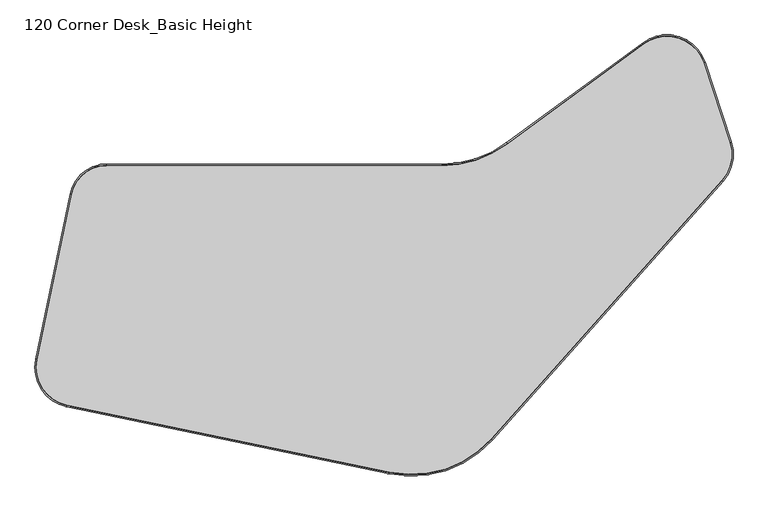
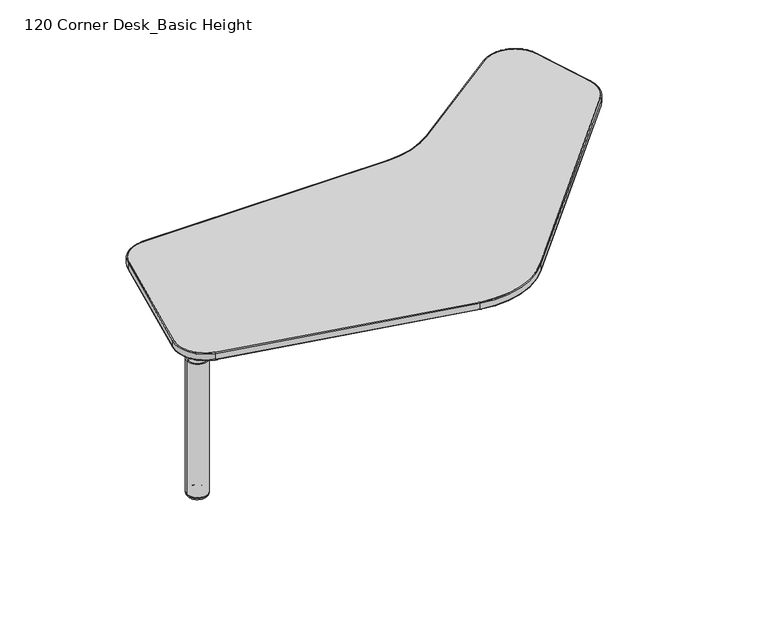
"""IFC4 building model written with IfcOpenShell, lengths in millimetres: furniture geometry, 120 Corner Desk_Basic Height."""

from ifc_helpers import new_model, si_unit, point, frame, frame_2d, origin, place, context, project, spatial, polyline, circle_curve, ellipse_curve, trimmed, segment, composite_curve, outline, extrude, source, transform, mapped, element, save
from ifc_brep_helpers import plane_surface, cylinder_surface, revolved_surface, advanced_brep


def furniture_120_corner_desk_basic_height_a4bebe50(model_context):
    return source(origin(), model_context, "Body", "SolidModel", [
        advanced_brep(
        [(218.1847437, -295.4283696, 672.2060139), (190.1170175, -297.6503048, 672.2060139), (162.0492913, -299.8722401, 672.2060139), (218.1847437, -295.4283696, 647.7686974), (162.0492913, -299.8722401, 647.7686974), (221.2754664, -295.1836976, 647.7686974), (158.9585686, -300.1169121, 647.7686974), (221.2754664, -295.1836976, 485.9002831), (158.9585686, -300.1169121, 485.9002831), (225.3000442, -294.8650985, 485.9002831), (154.9339908, -300.4355111, 485.9002831), (225.3000442, -294.8650985, 10.2163535), (154.9339908, -300.4355111, 10.2163535), (224.0360678, -294.9651591, 9.4693355), (156.1979672, -300.3354505, 9.4693355), (224.8786925, -294.8984541, 8.8323857), (155.3553425, -300.4021555, 8.8323857), (216.7436839, -295.5424487, 0.0), (163.4903512, -299.758161, 0.0), (190.1170175, -297.6503048, 0.0)],
        [
            (0, 1),
            (1, 2),
            (2, 0, circle_curve(frame((190.1170175, -297.6503048, 672.2060139), z_axis=(0.0, 0.0, 1.0), x_axis=(-0.9968812328975419, -0.07891645897198368, 0.0)), 28.1555368)),
            (0, 2, circle_curve(frame((190.1170175, -297.6503048, 672.2060139), z_axis=(0.0, 0.0, 1.0), x_axis=(-0.9968812328975419, -0.07891645897198368, 0.0)), 28.1555368)),
            (3, 0),
            (2, 4),
            (4, 3, circle_curve(frame((190.1170175, -297.6503048, 647.7686974), z_axis=(0.0, 0.0, 1.0), x_axis=(-0.9968812328975419, -0.07891645897198368, 0.0)), 28.1555368)),
            (3, 4, circle_curve(frame((190.1170175, -297.6503048, 647.7686974), z_axis=(0.0, 0.0, 1.0), x_axis=(-0.9968812328975419, -0.07891645897198368, 0.0)), 28.1555368)),
            (5, 3),
            (4, 6),
            (6, 5, circle_curve(frame((190.1170175, -297.6503048, 647.7686974), z_axis=(0.0, 0.0, 1.0), x_axis=(-0.9968812328975419, -0.07891645897198368, 0.0)), 31.2559289)),
            (5, 6, circle_curve(frame((190.1170175, -297.6503048, 647.7686974), z_axis=(0.0, 0.0, 1.0), x_axis=(-0.9968812328975419, -0.07891645897198368, 0.0)), 31.2559289)),
            (7, 5),
            (6, 8),
            (8, 7, circle_curve(frame((190.1170175, -297.6503048, 485.9002831), z_axis=(0.0, 0.0, 1.0), x_axis=(-0.9968812328975419, -0.07891645897198368, 0.0)), 31.2559289)),
            (7, 8, circle_curve(frame((190.1170175, -297.6503048, 485.9002831), z_axis=(0.0, 0.0, 1.0), x_axis=(-0.9968812328975419, -0.07891645897198368, 0.0)), 31.2559289)),
            (9, 7),
            (8, 10),
            (10, 9, circle_curve(frame((190.1170175, -297.6503048, 485.9002831), z_axis=(0.0, 0.0, 1.0), x_axis=(-0.9968812328975419, -0.07891645897198368, 0.0)), 35.2930977)),
            (9, 10, circle_curve(frame((190.1170175, -297.6503048, 485.9002831), z_axis=(0.0, 0.0, 1.0), x_axis=(-0.9968812328975419, -0.07891645897198368, 0.0)), 35.2930977)),
            (11, 9),
            (10, 12),
            (12, 11, circle_curve(frame((190.1170175, -297.6503048, 10.2163535), z_axis=(0.0, 0.0, 1.0), x_axis=(-0.9968812328975419, -0.07891645897198368, 0.0)), 35.2930977)),
            (11, 12, circle_curve(frame((190.1170175, -297.6503048, 10.2163535), z_axis=(0.0, 0.0, 1.0), x_axis=(-0.9968812328975419, -0.07891645897198368, 0.0)), 35.2930977)),
            (13, 11, circle_curve(frame((223.8482988, -294.9800236, 11.2385904), z_axis=(0.07891645897198046, -0.9968812328975422, 0.0), x_axis=(-0.9968812328975422, -0.07891645897198046, 0.0)), 1.7792529)),
            (12, 14, circle_curve(frame((156.3857362, -300.3205861, 11.2385904), z_axis=(0.07891645897198368, -0.9968812328975419, 0.0), x_axis=(0.9968812328975419, 0.07891645897198368, 0.0)), 1.7792529)),
            (14, 13, circle_curve(frame((190.1170175, -297.6503048, 9.4693355), z_axis=(0.0, 0.0, 1.0), x_axis=(-0.9968812328975419, -0.07891645897198368, 0.0)), 34.0251669)),
            (13, 14, circle_curve(frame((190.1170175, -297.6503048, 9.4693355), z_axis=(0.0, 0.0, 1.0), x_axis=(-0.9968812328975419, -0.07891645897198368, 0.0)), 34.0251669)),
            (15, 13, circle_curve(frame((223.3425297, -295.0200619, 7.6667755), z_axis=(0.07891645897198046, -0.9968812328975422, 0.0), x_axis=(-0.9968812328975422, -0.07891645897198046, 0.0)), 1.9321573)),
            (14, 16, circle_curve(frame((156.8915053, -300.2805477, 7.6667755), z_axis=(0.07891645897198368, -0.9968812328975419, 0.0), x_axis=(0.9968812328975419, 0.07891645897198368, 0.0)), 1.9321573)),
            (16, 15, circle_curve(frame((190.1170175, -297.6503048, 8.8323857), z_axis=(0.0, 0.0, 1.0), x_axis=(-0.9968812328975419, -0.07891645897198368, 0.0)), 34.8704278)),
            (15, 16, circle_curve(frame((190.1170175, -297.6503048, 8.8323857), z_axis=(0.0, 0.0, 1.0), x_axis=(-0.9968812328975419, -0.07891645897198368, 0.0)), 34.8704278)),
            (17, 15, circle_curve(frame((216.7436839, -295.5424487, 8.1860178), z_axis=(0.07891645897198046, -0.9968812328975422, 0.0), x_axis=(-0.9968812328975422, -0.07891645897198046, 0.0)), 8.1860178)),
            (16, 18, circle_curve(frame((163.4903512, -299.758161, 8.1860178), z_axis=(0.07891645897198368, -0.9968812328975419, 0.0), x_axis=(0.9968812328975419, 0.07891645897198368, 0.0)), 8.1860178)),
            (18, 17, circle_curve(frame((190.1170175, -297.6503048, 0.0), z_axis=(0.0, 0.0, 1.0), x_axis=(-0.9968812328975419, -0.07891645897198368, 0.0)), 26.7099685)),
            (17, 18, circle_curve(frame((190.1170175, -297.6503048, 0.0), z_axis=(0.0, 0.0, 1.0), x_axis=(-0.9968812328975419, -0.07891645897198368, 0.0)), 26.7099685)),
            (19, 17),
            (18, 19),
        ],
        [
            plane_surface(frame((190.1170175, -297.6503048, 672.2060139), z_axis=(0.0, 0.0, 1.0), x_axis=(-0.9968812328975419, -0.07891645897198368, 0.0))),
            cylinder_surface(frame((190.1170175, -297.6503048, -31.75), z_axis=(0.0, 0.0, -1.0), x_axis=(-0.9968812328975419, -0.07891645897198368, 0.0)), 28.1555368),
            plane_surface(frame((190.1170175, -297.6503048, 647.7686974), z_axis=(0.0, 0.0, 1.0), x_axis=(-0.9968812328975419, -0.07891645897198368, 0.0))),
            cylinder_surface(frame((190.1170175, -297.6503048, -31.75), z_axis=(0.0, 0.0, -1.0), x_axis=(-0.9968812328975419, -0.07891645897198368, 0.0)), 31.2559289),
            plane_surface(frame((190.1170175, -297.6503048, 485.9002831), z_axis=(0.0, 0.0, 1.0), x_axis=(-0.9968812328975419, -0.07891645897198368, 0.0))),
            cylinder_surface(frame((190.1170175, -297.6503048, -31.75), z_axis=(0.0, 0.0, -1.0), x_axis=(-0.9968812328975419, -0.07891645897198368, 0.0)), 35.2930977),
            revolved_surface(trimmed(ellipse_curve(frame((156.3857362, -300.3205861, 11.2385904), z_axis=(0.07891645897198368, -0.9968812328975419, 0.0), x_axis=(0.9968812328975419, 0.07891645897198368, 0.0)), 1.7792529, 1.7792529), [point((154.9339908, -300.4355111, 10.2163535))], [point((156.1979672, -300.3354505, 9.4693355))], True, "CARTESIAN"), (190.1170175, -297.6503048, -31.75), (0.0, 0.0, -1.0)),
            revolved_surface(trimmed(ellipse_curve(frame((156.8915053, -300.2805477, 7.6667755), z_axis=(0.07891645897198368, -0.9968812328975419, 0.0), x_axis=(0.9968812328975419, 0.07891645897198368, 0.0)), 1.9321573, 1.9321573), [point((156.1979672, -300.3354505, 9.4693355))], [point((155.3553425, -300.4021555, 8.8323857))], True, "CARTESIAN"), (190.1170175, -297.6503048, -31.75), (0.0, 0.0, -1.0)),
            revolved_surface(trimmed(ellipse_curve(frame((163.4903512, -299.758161, 8.1860178), z_axis=(0.07891645897198368, -0.9968812328975419, 0.0), x_axis=(0.9968812328975419, 0.07891645897198368, 0.0)), 8.1860178, 8.1860178), [point((155.3553425, -300.4021555, 8.8323857))], [point((163.4903512, -299.758161, 0.0))], True, "CARTESIAN"), (190.1170175, -297.6503048, -31.75), (0.0, 0.0, -1.0)),
            plane_surface(frame((190.1170175, -297.6503048, 0.0), z_axis=(0.0, 0.0, -1.0), x_axis=(-0.9968812328975419, -0.07891645897198368, 0.0))),
        ],
        [
            (0, [[1, 2, 3]]),
            (0, [[-2, -1, 4]]),
            (1, [[5, -3, 6, 7]]),
            (1, [[-6, -4, -5, 8]]),
            (2, [[9, -7, 10, 11]]),
            (2, [[-10, -8, -9, 12]]),
            (3, [[13, -11, 14, 15]]),
            (3, [[-14, -12, -13, 16]]),
            (4, [[17, -15, 18, 19]]),
            (4, [[-18, -16, -17, 20]]),
            (5, [[21, -19, 22, 23]]),
            (5, [[-22, -20, -21, 24]]),
            (6, [[25, -23, 26, 27]]),
            (6, [[-26, -24, -25, 28]]),
            (7, [[29, -27, 30, 31]]),
            (7, [[-30, -28, -29, 32]]),
            (8, [[33, -31, 34, 35]]),
            (8, [[-34, -32, -33, 36]]),
            (9, [[37, -35, 38]]),
            (9, [[-38, -36, -37]]),
        ],
    ),
        advanced_brep(
        [(176.4500095, -3.81, 698.6714043), (1003.2845277, -3.81, 698.6714043), (1003.2845277, -3.81, 723.9), (176.4500095, -3.81, 723.9), (176.4500095, 0.0, 701.2114043), (1003.2845277, 0.0, 701.2114043), (1003.2845277, -2.54, 698.6714043), (176.4500095, -2.54, 698.6714043), (176.4500095, 0.0, 721.36), (1003.2845277, 0.0, 721.36), (176.4500095, -2.54, 723.9), (1003.2845277, -2.54, 723.9), (1164.859092, 49.1264778, 698.6714043), (1164.859092, 49.1264778, 723.9), (1162.6045632, 52.1978292, 701.2114043), (1164.1075824, 50.1502616, 698.6714043), (1162.6045632, 52.1978292, 721.36), (1164.1075824, 50.1502616, 723.9), (1502.3008534, 296.8259604, 698.6714043), (1502.3008534, 296.8259604, 723.9), (1500.0463246, 299.8973118, 701.2114043), (1501.5493438, 297.8497442, 698.6714043), (1500.0463246, 299.8973118, 721.36), (1501.5493438, 297.8497442, 723.9), (1649.1152371, 249.8943009, 698.6714043), (1649.1152371, 249.8943009, 723.9), (1652.7332836, 251.088386, 701.2114043), (1650.3212526, 250.2923292, 698.6714043), (1652.7332836, 251.088386, 721.36), (1650.3212526, 250.2923292, 723.9), (1713.8957486, 53.6110488, 698.6714043), (1713.8957486, 53.6110488, 723.9), (1717.5137951, 54.8051339, 701.2114043), (1715.1017641, 54.0090771, 698.6714043), (1717.5137951, 54.8051339, 721.36), (1715.1017641, 54.0090771, 723.9), (1694.5230089, -39.6478618, 698.6714043), (1694.5230089, -39.6478618, 723.9), (1697.3661459, -42.1841331, 701.2114043), (1695.4707212, -40.4932855, 698.6714043), (1697.3661459, -42.1841331, 721.36), (1695.4707212, -40.4932855, 723.9), (1125.4297504, -677.5961986, 698.6714043), (1125.4297504, -677.5961986, 723.9), (1128.2728874, -680.1324699, 701.2114043), (1126.3774627, -678.4416224, 698.6714043), (1128.2728874, -680.1324699, 721.36), (1126.3774627, -678.4416224, 723.9), (874.5786416, -760.3866443, 698.6714043), (874.5786416, -760.3866443, 723.9), (873.8037337, -764.1170086, 701.2114043), (874.320339, -761.6300991, 698.6714043), (873.8037337, -764.1170086, 721.36), (874.320339, -761.6300991, 723.9), (78.5531605, -595.0284191, 698.6714043), (78.5531605, -595.0284191, 723.9), (77.7782526, -598.7587834, 701.2114043), (78.2948579, -596.2718739, 698.6714043), (77.7782526, -598.7587834, 721.36), (78.2948579, -596.2718739, 723.9), (4.6683853, -482.3887447, 698.6714043), (4.6683853, -482.3887447, 723.9), (0.9380865, -481.613522, 701.2114043), (3.4249524, -482.1303371, 698.6714043), (0.9380865, -481.613522, 721.36), (3.4249524, -482.1303371, 723.9), (89.4097021, -74.6214708, 698.6714043), (89.4097021, -74.6214708, 723.9), (85.6794032, -73.8462481, 701.2114043), (88.1662691, -74.3630632, 698.6714043), (85.6794032, -73.8462481, 721.36), (88.1662691, -74.3630632, 723.9)],
        [
            (0, 1),
            (1, 2),
            (2, 3),
            (3, 0),
            (4, 5),
            (5, 6, circle_curve(frame((1003.2845277, -2.54, 701.2114043), z_axis=(-1.0, 0.0, 0.0), x_axis=(0.0, -1.0, 0.0)), 2.54)),
            (6, 7),
            (7, 4, circle_curve(frame((176.4500095, -2.54, 701.2114043), z_axis=(1.0, 0.0, 0.0), x_axis=(0.0, -1.0, 0.0)), 2.54)),
            (8, 9),
            (9, 5),
            (4, 8),
            (10, 11),
            (11, 9, circle_curve(frame((1003.2845277, -2.54, 721.36), z_axis=(-1.0, 0.0, 0.0), x_axis=(0.0, -1.0, 0.0)), 2.54)),
            (8, 10, circle_curve(frame((176.4500095, -2.54, 721.36), z_axis=(1.0, 0.0, 0.0), x_axis=(0.0, -1.0, 0.0)), 2.54)),
            (12, 13),
            (13, 2, circle_curve(frame((1003.2845277, 269.24, 723.9), z_axis=(0.0, 0.0, -1.0), x_axis=(0.0, -1.0, 0.0)), 273.05)),
            (1, 12, circle_curve(frame((1003.2845277, 269.24, 698.6714043), z_axis=(0.0, 0.0, 1.0), x_axis=(0.0, -1.0, 0.0)), 273.05)),
            (14, 15, circle_curve(frame((1164.1075824, 50.1502616, 701.2114043), z_axis=(-0.8061289955728147, -0.5917398435940957, 0.0), x_axis=(0.5917398435940957, -0.8061289955728147, 0.0)), 2.54)),
            (15, 6, circle_curve(frame((1003.2845277, 269.24, 698.6714043), z_axis=(0.0, 0.0, -1.0), x_axis=(0.0, -1.0, 0.0)), 271.78)),
            (5, 14, circle_curve(frame((1003.2845277, 269.24, 701.2114043), z_axis=(0.0, 0.0, 1.0), x_axis=(0.0, -1.0, 0.0)), 269.24)),
            (16, 14),
            (9, 16, circle_curve(frame((1003.2845277, 269.24, 721.36), z_axis=(0.0, 0.0, 1.0), x_axis=(0.0, -1.0, 0.0)), 269.24)),
            (17, 16, circle_curve(frame((1164.1075824, 50.1502616, 721.36), z_axis=(-0.8061289955728145, -0.5917398435940961, 0.0), x_axis=(0.5917398435940961, -0.8061289955728145, 0.0)), 2.54)),
            (11, 17, circle_curve(frame((1003.2845277, 269.24, 723.9), z_axis=(0.0, 0.0, 1.0), x_axis=(0.0, -1.0, 0.0)), 271.78)),
            (12, 18),
            (18, 19),
            (19, 13),
            (14, 20),
            (20, 21, circle_curve(frame((1501.5493438, 297.8497442, 701.2114043), z_axis=(-0.8061289955728148, -0.5917398435940956, 0.0), x_axis=(0.5917398435940956, -0.8061289955728148, 0.0)), 2.54)),
            (21, 15),
            (16, 22),
            (22, 20),
            (17, 23),
            (23, 22, circle_curve(frame((1501.5493438, 297.8497442, 721.36), z_axis=(-0.8061289955728148, -0.5917398435940956, 0.0), x_axis=(0.5917398435940956, -0.8061289955728148, 0.0)), 2.54)),
            (24, 25),
            (25, 19, circle_curve(frame((1558.6640735, 220.0421735, 723.9), z_axis=(0.0, 0.0, 1.0), x_axis=(-0.5917398435940961, 0.8061289955728144, 0.0)), 95.25)),
            (18, 24, circle_curve(frame((1558.6640735, 220.0421735, 698.6714043), z_axis=(0.0, 0.0, -1.0), x_axis=(-0.5917398435940961, 0.8061289955728144, 0.0)), 95.25)),
            (26, 27, circle_curve(frame((1650.3212526, 250.2923292, 701.2114043), z_axis=(-0.31340816117297965, 0.9496185152523995, 0.0), x_axis=(-0.9496185152523995, -0.31340816117297965, 0.0)), 2.54)),
            (27, 21, circle_curve(frame((1558.6640735, 220.0421735, 698.6714043), z_axis=(0.0, 0.0, 1.0), x_axis=(-0.5917398435940961, 0.8061289955728144, 0.0)), 96.52)),
            (20, 26, circle_curve(frame((1558.6640735, 220.0421735, 701.2114043), z_axis=(0.0, 0.0, -1.0), x_axis=(-0.5917398435940961, 0.8061289955728144, 0.0)), 99.06)),
            (28, 26),
            (22, 28, circle_curve(frame((1558.6640735, 220.0421735, 721.36), z_axis=(0.0, 0.0, -1.0), x_axis=(-0.5917398435940961, 0.8061289955728144, 0.0)), 99.06)),
            (29, 28, circle_curve(frame((1650.3212526, 250.2923292, 721.36), z_axis=(-0.3134081611729803, 0.9496185152523993, 0.0), x_axis=(-0.9496185152523993, -0.3134081611729803, 0.0)), 2.54)),
            (23, 29, circle_curve(frame((1558.6640735, 220.0421735, 723.9), z_axis=(0.0, 0.0, -1.0), x_axis=(-0.5917398435940961, 0.8061289955728144, 0.0)), 96.52)),
            (24, 30),
            (30, 31),
            (31, 25),
            (26, 32),
            (32, 33, circle_curve(frame((1715.1017641, 54.0090771, 701.2114043), z_axis=(-0.3134081611729781, 0.9496185152524002, 0.0), x_axis=(-0.9496185152523999, -0.31340816117297804, 0.0)), 2.54)),
            (33, 27),
            (28, 34),
            (34, 32),
            (29, 35),
            (35, 34, circle_curve(frame((1715.1017641, 54.0090771, 721.36), z_axis=(-0.3134081611729781, 0.9496185152524002, 0.0), x_axis=(-0.9496185152523999, -0.31340816117297804, 0.0)), 2.54)),
            (36, 37),
            (37, 31, circle_curve(frame((1623.444585, 23.7589214, 723.9), z_axis=(0.0, 0.0, 1.0), x_axis=(0.9496185152523999, 0.31340816117297826, 0.0)), 95.25)),
            (30, 36, circle_curve(frame((1623.444585, 23.7589214, 698.6714043), z_axis=(0.0, 0.0, -1.0), x_axis=(0.9496185152523999, 0.31340816117297826, 0.0)), 95.25)),
            (38, 39, circle_curve(frame((1695.4707212, -40.4932855, 701.2114043), z_axis=(0.6656880124197591, 0.7462301723467304, 0.0), x_axis=(-0.7462301723467304, 0.6656880124197591, 0.0)), 2.54)),
            (39, 33, circle_curve(frame((1623.444585, 23.7589214, 698.6714043), z_axis=(0.0, 0.0, 1.0), x_axis=(0.9496185152523999, 0.31340816117297826, 0.0)), 96.52)),
            (32, 38, circle_curve(frame((1623.444585, 23.7589214, 701.2114043), z_axis=(0.0, 0.0, -1.0), x_axis=(0.9496185152523999, 0.31340816117297826, 0.0)), 99.06)),
            (40, 38),
            (34, 40, circle_curve(frame((1623.444585, 23.7589214, 721.36), z_axis=(0.0, 0.0, -1.0), x_axis=(0.9496185152523999, 0.31340816117297826, 0.0)), 99.06)),
            (41, 40, circle_curve(frame((1695.4707212, -40.4932855, 721.36), z_axis=(0.6656880124197588, 0.7462301723467306, 0.0), x_axis=(-0.7462301723467306, 0.6656880124197588, 0.0)), 2.54)),
            (35, 41, circle_curve(frame((1623.444585, 23.7589214, 723.9), z_axis=(0.0, 0.0, -1.0), x_axis=(0.9496185152523999, 0.31340816117297826, 0.0)), 96.52)),
            (36, 42),
            (42, 43),
            (43, 37),
            (38, 44),
            (44, 45, circle_curve(frame((1126.3774627, -678.4416224, 701.2114043), z_axis=(0.6656880124197574, 0.7462301723467317, 0.0), x_axis=(-0.7462301723467317, 0.6656880124197574, 0.0)), 2.54)),
            (45, 39),
            (40, 46),
            (46, 44),
            (41, 47),
            (47, 46, circle_curve(frame((1126.3774627, -678.4416224, 721.36), z_axis=(0.6656880124197574, 0.7462301723467317, 0.0), x_axis=(-0.7462301723467317, 0.6656880124197574, 0.0)), 2.54)),
            (48, 49),
            (49, 43, circle_curve(frame((928.3055881, -501.7480532, 723.9), z_axis=(0.0, 0.0, 1.0), x_axis=(0.746230172346732, -0.6656880124197572, 0.0)), 264.16)),
            (42, 48, circle_curve(frame((928.3055881, -501.7480532, 698.6714043), z_axis=(0.0, 0.0, -1.0), x_axis=(0.746230172346732, -0.6656880124197572, 0.0)), 264.16)),
            (50, 51, circle_curve(frame((874.320339, -761.6300991, 701.2114043), z_axis=(0.9790982402051904, -0.20338789547831837, 0.0), x_axis=(0.20338789547831837, 0.9790982402051904, 0.0)), 2.54)),
            (51, 45, circle_curve(frame((928.3055881, -501.7480532, 698.6714043), z_axis=(0.0, 0.0, 1.0), x_axis=(0.746230172346732, -0.6656880124197572, 0.0)), 265.43)),
            (44, 50, circle_curve(frame((928.3055881, -501.7480532, 701.2114043), z_axis=(0.0, 0.0, -1.0), x_axis=(0.746230172346732, -0.6656880124197572, 0.0)), 267.97)),
            (52, 50),
            (46, 52, circle_curve(frame((928.3055881, -501.7480532, 721.36), z_axis=(0.0, 0.0, -1.0), x_axis=(0.746230172346732, -0.6656880124197572, 0.0)), 267.97)),
            (53, 52, circle_curve(frame((874.320339, -761.6300991, 721.36), z_axis=(0.9790982402051905, -0.20338789547831776, 0.0), x_axis=(0.20338789547831776, 0.9790982402051905, 0.0)), 2.54)),
            (47, 53, circle_curve(frame((928.3055881, -501.7480532, 723.9), z_axis=(0.0, 0.0, -1.0), x_axis=(0.746230172346732, -0.6656880124197572, 0.0)), 265.43)),
            (48, 54),
            (54, 55),
            (55, 49),
            (50, 56),
            (56, 57, circle_curve(frame((78.2948579, -596.2718739, 701.2114043), z_axis=(0.9790982402051905, -0.2033878954783179, 0.0), x_axis=(0.2033878954783179, 0.9790982402051905, 0.0)), 2.54)),
            (57, 51),
            (52, 58),
            (58, 56),
            (53, 59),
            (59, 58, circle_curve(frame((78.2948579, -596.2718739, 721.36), z_axis=(0.9790982402051905, -0.2033878954783179, 0.0), x_axis=(0.2033878954783179, 0.9790982402051905, 0.0)), 2.54)),
            (60, 61),
            (61, 55, circle_curve(frame((97.9258575, -501.7693117, 723.9), z_axis=(0.0, 0.0, 1.0), x_axis=(-0.20338789547831754, -0.9790982402051905, 0.0)), 95.25)),
            (54, 60, circle_curve(frame((97.9258575, -501.7693117, 698.6714043), z_axis=(0.0, 0.0, -1.0), x_axis=(-0.20338789547831754, -0.9790982402051905, 0.0)), 95.25)),
            (62, 63, circle_curve(frame((3.4249524, -482.1303371, 701.2114043), z_axis=(-0.20347052011528075, -0.9790810729679218, 0.0), x_axis=(0.9790810729679218, -0.20347052011528075, 0.0)), 2.54)),
            (63, 57, circle_curve(frame((97.9258575, -501.7693117, 698.6714043), z_axis=(0.0, 0.0, 1.0), x_axis=(-0.20338789547831754, -0.9790982402051905, 0.0)), 96.52)),
            (56, 62, circle_curve(frame((97.9258575, -501.7693117, 701.2114043), z_axis=(0.0, 0.0, -1.0), x_axis=(-0.20338789547831754, -0.9790982402051905, 0.0)), 99.06)),
            (64, 62),
            (58, 64, circle_curve(frame((97.9258575, -501.7693117, 721.36), z_axis=(0.0, 0.0, -1.0), x_axis=(-0.20338789547831754, -0.9790982402051905, 0.0)), 99.06)),
            (65, 64, circle_curve(frame((3.4249524, -482.1303371, 721.36), z_axis=(-0.20347052011528033, -0.9790810729679219, 0.0), x_axis=(0.9790810729679219, -0.20347052011528033, 0.0)), 2.54)),
            (59, 65, circle_curve(frame((97.9258575, -501.7693117, 723.9), z_axis=(0.0, 0.0, -1.0), x_axis=(-0.20338789547831754, -0.9790982402051905, 0.0)), 96.52)),
            (60, 66),
            (66, 67),
            (67, 61),
            (62, 68),
            (68, 69, circle_curve(frame((88.1662691, -74.3630632, 701.2114043), z_axis=(-0.203470520115287, -0.9790810729679207, 0.0), x_axis=(0.9790810729679207, -0.203470520115287, 0.0)), 2.54)),
            (69, 63),
            (64, 70),
            (70, 68),
            (65, 71),
            (71, 70, circle_curve(frame((88.1662691, -74.3630632, 721.36), z_axis=(-0.203470520115287, -0.9790810729679207, 0.0), x_axis=(0.9790810729679207, -0.203470520115287, 0.0)), 2.54)),
            (3, 67, circle_curve(frame((176.4500095, -92.71, 723.9), z_axis=(0.0, 0.0, 1.0), x_axis=(-0.9790810729679205, 0.20347052011528752, 0.0)), 88.9)),
            (66, 0, circle_curve(frame((176.4500095, -92.71, 698.6714043), z_axis=(0.0, 0.0, -1.0), x_axis=(-0.9790810729679205, 0.20347052011528752, 0.0)), 88.9)),
            (69, 7, circle_curve(frame((176.4500095, -92.71, 698.6714043), z_axis=(0.0, 0.0, -1.0), x_axis=(-0.9790810729679205, 0.20347052011528752, 0.0)), 90.17)),
            (68, 4, circle_curve(frame((176.4500095, -92.71, 701.2114043), z_axis=(0.0, 0.0, -1.0), x_axis=(-0.9790810729679205, 0.20347052011528752, 0.0)), 92.71)),
            (70, 8, circle_curve(frame((176.4500095, -92.71, 721.36), z_axis=(0.0, 0.0, -1.0), x_axis=(-0.9790810729679205, 0.20347052011528752, 0.0)), 92.71)),
            (71, 10, circle_curve(frame((176.4500095, -92.71, 723.9), z_axis=(0.0, 0.0, -1.0), x_axis=(-0.9790810729679205, 0.20347052011528752, 0.0)), 90.17)),
        ],
        [
            plane_surface(frame((176.4500095, -3.81, 723.9), z_axis=(0.0, -1.0, 0.0), x_axis=(1.0, 0.0, 0.0))),
            cylinder_surface(frame((176.4500095, -2.54, 701.2114043), z_axis=(-1.0, 0.0, 0.0), x_axis=(0.0, -1.0, 0.0)), 2.54),
            plane_surface(frame((176.4500095, 0.0, 701.2114043), z_axis=(0.0, 1.0, 0.0), x_axis=(1.0, 0.0, 0.0))),
            cylinder_surface(frame((176.4500095, -2.54, 721.36), z_axis=(-1.0, 0.0, 0.0), x_axis=(0.0, -1.0, 0.0)), 2.54),
            cylinder_surface(frame((1003.2845277, 269.24, 0.0), z_axis=(0.0, 0.0, -1.0), x_axis=(0.0, -1.0, 0.0)), 273.05),
            revolved_surface(trimmed(ellipse_curve(frame((1003.2845277, -2.54, 701.2114043), z_axis=(1.0, 0.0, 0.0), x_axis=(0.0, -1.0, 0.0)), 2.54, 2.54), [point((1003.2845277, -2.54, 698.6714043))], [point((1003.2845277, 0.0, 701.2114043))], True, "CARTESIAN"), (1003.2845277, 269.24, 0.0), (0.0, 0.0, -1.0)),
            revolved_surface(polyline([(1003.2845277, 0.0, 701.2114043), (1003.2845277, 0.0, 721.36)]), (1003.2845277, 269.24, 0.0), (0.0, 0.0, -1.0)),
            revolved_surface(trimmed(ellipse_curve(frame((1003.2845277, -2.54, 721.36), z_axis=(1.0, 0.0, 0.0), x_axis=(0.0, -1.0, 0.0)), 2.54, 2.54), [point((1003.2845277, 0.0, 721.36))], [point((1003.2845277, -2.54, 723.9))], True, "CARTESIAN"), (1003.2845277, 269.24, 0.0), (0.0, 0.0, -1.0)),
            plane_surface(frame((1164.859092, 49.1264778, 723.9), z_axis=(0.5917398435940957, -0.8061289955728148, 0.0), x_axis=(0.8061289955728148, 0.5917398435940957, 0.0))),
            cylinder_surface(frame((1164.1075824, 50.1502616, 701.2114043), z_axis=(-0.8061289955728148, -0.5917398435940956, 0.0), x_axis=(0.5917398435940956, -0.8061289955728148, 0.0)), 2.54),
            plane_surface(frame((1162.6045632, 52.1978292, 701.2114043), z_axis=(-0.591739843594095, 0.8061289955728151, 0.0), x_axis=(0.8061289955728151, 0.591739843594095, 0.0))),
            cylinder_surface(frame((1164.1075824, 50.1502616, 721.36), z_axis=(-0.8061289955728148, -0.5917398435940956, 0.0), x_axis=(0.5917398435940956, -0.8061289955728148, 0.0)), 2.54),
            revolved_surface(polyline([(1502.3008533976624, 296.82596032831054, 723.9), (1502.3008533976624, 296.82596032831054, 698.6714043)]), (1558.6640735, 220.0421735, 0.0), (0.0, 0.0, 1.0)),
            revolved_surface(trimmed(ellipse_curve(frame((1501.5493438, 297.8497442, 701.2114043), z_axis=(0.8061289955728145, 0.591739843594096, 0.0), x_axis=(0.591739843594096, -0.8061289955728145, 0.0)), 2.54, 2.54), [point((1501.5493438, 297.8497442, 698.6714043))], [point((1500.0463246, 299.8973118, 701.2114043))], True, "CARTESIAN"), (1558.6640735, 220.0421735, 0.0), (0.0, 0.0, 1.0)),
            cylinder_surface(frame((1558.6640735, 220.0421735, 0.0), z_axis=(0.0, 0.0, 1.0), x_axis=(-0.5917398435940961, 0.8061289955728144, 0.0)), 99.06),
            revolved_surface(trimmed(ellipse_curve(frame((1501.5493438, 297.8497442, 721.36), z_axis=(0.8061289955728145, 0.591739843594096, 0.0), x_axis=(0.591739843594096, -0.8061289955728145, 0.0)), 2.54, 2.54), [point((1500.0463246, 299.8973118, 721.36))], [point((1501.5493438, 297.8497442, 723.9))], True, "CARTESIAN"), (1558.6640735, 220.0421735, 0.0), (0.0, 0.0, 1.0)),
            plane_surface(frame((1649.1152371, 249.8943009, 723.9), z_axis=(-0.9496185152523999, -0.31340816117297843, 0.0), x_axis=(0.31340816117297843, -0.9496185152523999, 0.0))),
            cylinder_surface(frame((1650.3212526, 250.2923292, 701.2114043), z_axis=(-0.31340816117297804, 0.9496185152523999, 0.0), x_axis=(-0.9496185152523999, -0.31340816117297804, 0.0)), 2.54),
            plane_surface(frame((1652.7332836, 251.088386, 701.2114043), z_axis=(0.9496185152523998, 0.3134081611729786, 0.0), x_axis=(0.3134081611729786, -0.9496185152523998, 0.0))),
            cylinder_surface(frame((1650.3212526, 250.2923292, 721.36), z_axis=(-0.31340816117297804, 0.9496185152523999, 0.0), x_axis=(-0.9496185152523999, -0.31340816117297804, 0.0)), 2.54),
            revolved_surface(polyline([(1713.895748577791, 53.61104875172617, 723.9), (1713.895748577791, 53.61104875172617, 698.6714043)]), (1623.444585, 23.7589214, 0.0), (0.0, 0.0, 1.0)),
            revolved_surface(trimmed(ellipse_curve(frame((1715.1017641, 54.0090771, 701.2114043), z_axis=(0.31340816117297815, -0.9496185152523999, 0.0), x_axis=(-0.9496185152523999, -0.31340816117297815, 0.0)), 2.54, 2.54), [point((1715.1017641, 54.0090771, 698.6714043))], [point((1717.5137951, 54.8051339, 701.2114043))], True, "CARTESIAN"), (1623.444585, 23.7589214, 0.0), (0.0, 0.0, 1.0)),
            cylinder_surface(frame((1623.444585, 23.7589214, 0.0), z_axis=(0.0, 0.0, 1.0), x_axis=(0.9496185152523999, 0.31340816117297826, 0.0)), 99.06),
            revolved_surface(trimmed(ellipse_curve(frame((1715.1017641, 54.0090771, 721.36), z_axis=(0.31340816117297815, -0.9496185152523999, 0.0), x_axis=(-0.9496185152523999, -0.31340816117297815, 0.0)), 2.54, 2.54), [point((1717.5137951, 54.8051339, 721.36))], [point((1715.1017641, 54.0090771, 723.9))], True, "CARTESIAN"), (1623.444585, 23.7589214, 0.0), (0.0, 0.0, 1.0)),
            plane_surface(frame((1694.5230089, -39.6478618, 723.9), z_axis=(-0.7462301723467318, 0.6656880124197574, 0.0), x_axis=(-0.6656880124197574, -0.7462301723467318, 0.0))),
            cylinder_surface(frame((1695.4707212, -40.4932855, 701.2114043), z_axis=(0.6656880124197574, 0.7462301723467317, 0.0), x_axis=(-0.7462301723467317, 0.6656880124197574, 0.0)), 2.54),
            plane_surface(frame((1697.3661459, -42.1841331, 701.2114043), z_axis=(0.7462301723467318, -0.6656880124197573, 0.0), x_axis=(-0.6656880124197573, -0.7462301723467318, 0.0))),
            cylinder_surface(frame((1695.4707212, -40.4932855, 721.36), z_axis=(0.6656880124197574, 0.7462301723467317, 0.0), x_axis=(-0.7462301723467317, 0.6656880124197574, 0.0)), 2.54),
            revolved_surface(polyline([(1125.4297504271128, -677.596198560803, 723.9), (1125.4297504271128, -677.596198560803, 698.6714043)]), (928.3055881, -501.7480532, 0.0), (0.0, 0.0, 1.0)),
            revolved_surface(trimmed(ellipse_curve(frame((1126.3774627, -678.4416224, 701.2114043), z_axis=(-0.6656880124197573, -0.7462301723467318, 0.0), x_axis=(-0.7462301723467318, 0.6656880124197573, 0.0)), 2.54, 2.54), [point((1126.3774627, -678.4416224, 698.6714043))], [point((1128.2728874, -680.1324699, 701.2114043))], True, "CARTESIAN"), (928.3055881, -501.7480532, 0.0), (0.0, 0.0, 1.0)),
            cylinder_surface(frame((928.3055881, -501.7480532, 0.0), z_axis=(0.0, 0.0, 1.0), x_axis=(0.746230172346732, -0.6656880124197572, 0.0)), 267.97),
            revolved_surface(trimmed(ellipse_curve(frame((1126.3774627, -678.4416224, 721.36), z_axis=(-0.6656880124197573, -0.7462301723467318, 0.0), x_axis=(-0.7462301723467318, 0.6656880124197573, 0.0)), 2.54, 2.54), [point((1128.2728874, -680.1324699, 721.36))], [point((1126.3774627, -678.4416224, 723.9))], True, "CARTESIAN"), (928.3055881, -501.7480532, 0.0), (0.0, 0.0, 1.0)),
            plane_surface(frame((874.5786416, -760.3866443, 723.9), z_axis=(0.20338789547831787, 0.9790982402051905, 0.0), x_axis=(-0.9790982402051905, 0.20338789547831787, 0.0))),
            cylinder_surface(frame((874.320339, -761.6300991, 701.2114043), z_axis=(0.9790982402051905, -0.2033878954783179, 0.0), x_axis=(0.2033878954783179, 0.9790982402051905, 0.0)), 2.54),
            plane_surface(frame((873.8037337, -764.1170086, 701.2114043), z_axis=(-0.2033878954783177, -0.9790982402051905, 0.0), x_axis=(-0.9790982402051905, 0.2033878954783177, 0.0))),
            cylinder_surface(frame((874.320339, -761.6300991, 721.36), z_axis=(0.9790982402051905, -0.2033878954783179, 0.0), x_axis=(0.2033878954783179, 0.9790982402051905, 0.0)), 2.54),
            revolved_surface(polyline([(78.55316045569026, -595.0284190795444, 723.9), (78.55316045569026, -595.0284190795444, 698.6714043)]), (97.9258575, -501.7693117, 0.0), (0.0, 0.0, 1.0)),
            revolved_surface(trimmed(ellipse_curve(frame((78.2948579, -596.2718739, 701.2114043), z_axis=(-0.9790982402051905, 0.20338789547831754, 0.0), x_axis=(0.20338789547831754, 0.9790982402051905, 0.0)), 2.54, 2.54), [point((78.2948579, -596.2718739, 698.6714043))], [point((77.7782526, -598.7587834, 701.2114043))], True, "CARTESIAN"), (97.9258575, -501.7693117, 0.0), (0.0, 0.0, 1.0)),
            cylinder_surface(frame((97.9258575, -501.7693117, 0.0), z_axis=(0.0, 0.0, 1.0), x_axis=(-0.20338789547831754, -0.9790982402051905, 0.0)), 99.06),
            revolved_surface(trimmed(ellipse_curve(frame((78.2948579, -596.2718739, 721.36), z_axis=(-0.9790982402051905, 0.20338789547831754, 0.0), x_axis=(0.20338789547831754, 0.9790982402051905, 0.0)), 2.54, 2.54), [point((77.7782526, -598.7587834, 721.36))], [point((78.2948579, -596.2718739, 723.9))], True, "CARTESIAN"), (97.9258575, -501.7693117, 0.0), (0.0, 0.0, 1.0)),
            plane_surface(frame((4.6683853, -482.3887447, 723.9), z_axis=(0.9790810729679207, -0.20347052011528693, 0.0), x_axis=(0.20347052011528693, 0.9790810729679207, 0.0))),
            cylinder_surface(frame((3.4249524, -482.1303371, 701.2114043), z_axis=(-0.203470520115287, -0.9790810729679207, 0.0), x_axis=(0.9790810729679207, -0.203470520115287, 0.0)), 2.54),
            plane_surface(frame((0.9380865, -481.613522, 701.2114043), z_axis=(-0.9790810729679207, 0.20347052011528655, 0.0), x_axis=(0.20347052011528655, 0.9790810729679207, 0.0))),
            cylinder_surface(frame((3.4249524, -482.1303371, 721.36), z_axis=(-0.203470520115287, -0.9790810729679207, 0.0), x_axis=(0.9790810729679207, -0.203470520115287, 0.0)), 2.54),
            revolved_surface(polyline([(89.40970211315185, -74.62147076175093, 723.9), (89.40970211315185, -74.62147076175093, 698.6714043)]), (176.4500095, -92.71, 0.0), (0.0, 0.0, 1.0)),
            plane_surface(frame((176.4500095, -92.71, 698.6714043), z_axis=(0.0, 0.0, -1.0), x_axis=(-0.9790810729679205, 0.20347052011528752, 0.0))),
            revolved_surface(trimmed(ellipse_curve(frame((88.1662691, -74.3630632, 701.2114043), z_axis=(0.20347052011528757, 0.9790810729679205, 0.0), x_axis=(0.9790810729679205, -0.20347052011528757, 0.0)), 2.54, 2.54), [point((88.1662691, -74.3630632, 698.6714043))], [point((85.6794032, -73.8462481, 701.2114043))], True, "CARTESIAN"), (176.4500095, -92.71, 0.0), (0.0, 0.0, 1.0)),
            cylinder_surface(frame((176.4500095, -92.71, 0.0), z_axis=(0.0, 0.0, 1.0), x_axis=(-0.9790810729679205, 0.20347052011528752, 0.0)), 92.71),
            revolved_surface(trimmed(ellipse_curve(frame((88.1662691, -74.3630632, 721.36), z_axis=(0.20347052011528757, 0.9790810729679205, 0.0), x_axis=(0.9790810729679205, -0.20347052011528757, 0.0)), 2.54, 2.54), [point((85.6794032, -73.8462481, 721.36))], [point((88.1662691, -74.3630632, 723.9))], True, "CARTESIAN"), (176.4500095, -92.71, 0.0), (0.0, 0.0, 1.0)),
            plane_surface(frame((176.4500095, -92.71, 723.9), z_axis=(0.0, 0.0, 1.0), x_axis=(-0.9790810729679205, 0.20347052011528752, 0.0))),
        ],
        [
            (0, [[1, 2, 3, 4]]),
            (1, [[5, 6, 7, 8]]),
            (2, [[9, 10, -5, 11]]),
            (3, [[12, 13, -9, 14]]),
            (4, [[15, 16, -2, 17]]),
            (5, [[18, 19, -6, 20]]),
            (6, [[21, -20, -10, 22]]),
            (7, [[23, -22, -13, 24]]),
            (8, [[25, 26, 27, -15]]),
            (9, [[28, 29, 30, -18]]),
            (10, [[31, 32, -28, -21]]),
            (11, [[33, 34, -31, -23]]),
            (12, [[35, 36, -26, 37]]),
            (13, [[38, 39, -29, 40]]),
            (14, [[41, -40, -32, 42]]),
            (15, [[43, -42, -34, 44]]),
            (16, [[45, 46, 47, -35]]),
            (17, [[48, 49, 50, -38]]),
            (18, [[51, 52, -48, -41]]),
            (19, [[53, 54, -51, -43]]),
            (20, [[55, 56, -46, 57]]),
            (21, [[58, 59, -49, 60]]),
            (22, [[61, -60, -52, 62]]),
            (23, [[63, -62, -54, 64]]),
            (24, [[65, 66, 67, -55]]),
            (25, [[68, 69, 70, -58]]),
            (26, [[71, 72, -68, -61]]),
            (27, [[73, 74, -71, -63]]),
            (28, [[75, 76, -66, 77]]),
            (29, [[78, 79, -69, 80]]),
            (30, [[81, -80, -72, 82]]),
            (31, [[83, -82, -74, 84]]),
            (32, [[85, 86, 87, -75]]),
            (33, [[88, 89, 90, -78]]),
            (34, [[91, 92, -88, -81]]),
            (35, [[93, 94, -91, -83]]),
            (36, [[95, 96, -86, 97]]),
            (37, [[98, 99, -89, 100]]),
            (38, [[101, -100, -92, 102]]),
            (39, [[103, -102, -94, 104]]),
            (40, [[105, 106, 107, -95]]),
            (41, [[108, 109, 110, -98]]),
            (42, [[111, 112, -108, -101]]),
            (43, [[113, 114, -111, -103]]),
            (44, [[-4, 115, -106, 116]]),
            (45, [[-7, -19, -30, -39, -50, -59, -70, -79, -90, -99, -110, 117], [-85, -77, -65, -57, -45, -37, -25, -17, -1, -116, -105, -97]]),
            (46, [[-8, -117, -109, 118]]),
            (47, [[-11, -118, -112, 119]]),
            (48, [[-14, -119, -114, 120]]),
            (49, [[-93, -84, -73, -64, -53, -44, -33, -24, -12, -120, -113, -104], [-3, -16, -27, -36, -47, -56, -67, -76, -87, -96, -107, -115]]),
        ],
    ),
        extrude(outline(composite_curve([segment(trimmed(circle_curve(frame_2d((97.9258575, -501.7693117)), 95.25), [point((78.5531605, -595.0284191))], [point((4.6683853, -482.3887447))], False, "CARTESIAN"), True, "CONTINUOUS"), segment(polyline([(4.6683853, -482.3887447), (89.4097021, -74.6214708)]), True, "CONTINUOUS"), segment(trimmed(circle_curve(frame_2d((176.4500095, -92.71)), 88.9), [point((89.4097021, -74.6214708))], [point((176.4500095, -3.81))], False, "CARTESIAN"), True, "CONTINUOUS"), segment(polyline([(176.4500095, -3.81), (1003.2845277, -3.81)]), True, "CONTINUOUS"), segment(trimmed(circle_curve(frame_2d((1003.2845277, 269.24)), 273.05), [point((1003.2845277, -3.81))], [point((1164.859092, 49.1264778))], True, "CARTESIAN"), True, "CONTINUOUS"), segment(polyline([(1164.859092, 49.1264778), (1502.3008534, 296.8259604)]), True, "CONTINUOUS"), segment(trimmed(circle_curve(frame_2d((1558.6640735, 220.0421735)), 95.25), [point((1502.3008534, 296.8259604))], [point((1649.1152371, 249.8943009))], False, "CARTESIAN"), True, "CONTINUOUS"), segment(polyline([(1649.1152371, 249.8943009), (1713.8957486, 53.6110488)]), True, "CONTINUOUS"), segment(trimmed(circle_curve(frame_2d((1623.444585, 23.7589214)), 95.25), [point((1713.8957486, 53.6110488))], [point((1694.5230089, -39.6478618))], False, "CARTESIAN"), True, "CONTINUOUS"), segment(polyline([(1694.5230089, -39.6478618), (1125.4297504, -677.5961986)]), True, "CONTINUOUS"), segment(trimmed(circle_curve(frame_2d((928.3055881, -501.7480532)), 264.16), [point((1125.4297504, -677.5961986))], [point((874.5786416, -760.3866443))], False, "CARTESIAN"), True, "CONTINUOUS"), segment(polyline([(874.5786416, -760.3866443), (78.5531605, -595.0284191)]), True, "CONTINUOUS")], self_intersect=False)), frame((0.0, 0.0, 698.6714043), z_axis=(0.0, 0.0, 1.0), x_axis=(1.0, 0.0, 0.0)), (0.0, 0.0, 1.0), 25.2285957),
    ])


if __name__ == "__main__":
    model = new_model("IFC4")
    model_context = context("Model", 3, world=origin())
    ifc_project = project(units=[si_unit("LENGTHUNIT", "METRE", prefix="MILLI")], contexts=[model_context])
    site = spatial("IfcSite", under=ifc_project)
    building = spatial("IfcBuilding", under=site)
    placement = place(None, origin())
    furniture_120_corner_desk_basic_height_shape = furniture_120_corner_desk_basic_height_a4bebe50(model_context)
    element("IfcFurniture", 1, ObjectType="120 Corner Desk_Basic Height", at=placement, inside=building, context=model_context, shape_type="MappedRepresentation", body=[
        mapped(furniture_120_corner_desk_basic_height_shape, transform((0.0, 0.0, 0.0), x_axis=(1.0, 0.0, 0.0), y_axis=(0.0, 1.0, 0.0), z_axis=(0.0, 0.0, 1.0))),
    ])
    save(model, "model.ifc")
